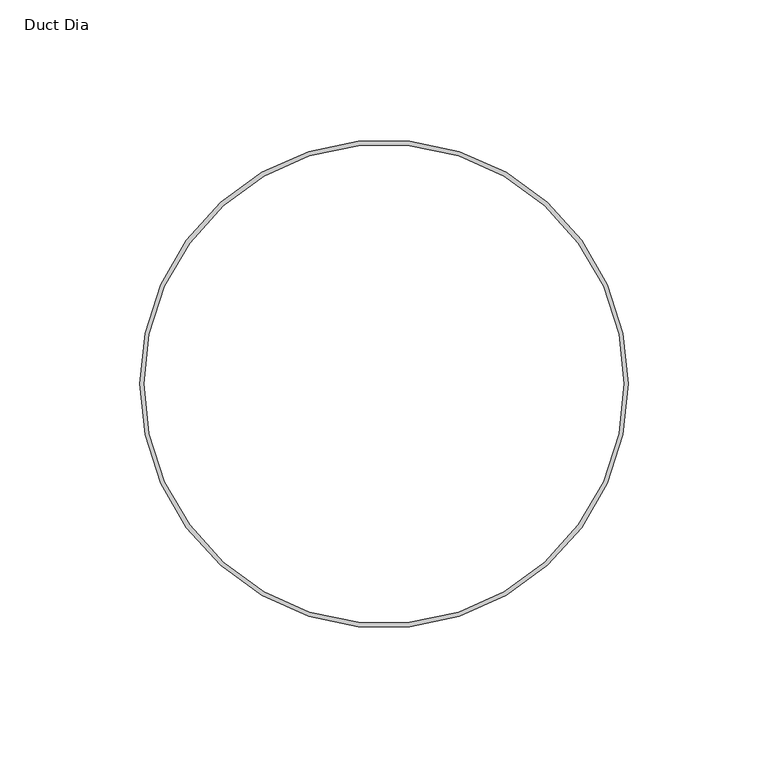
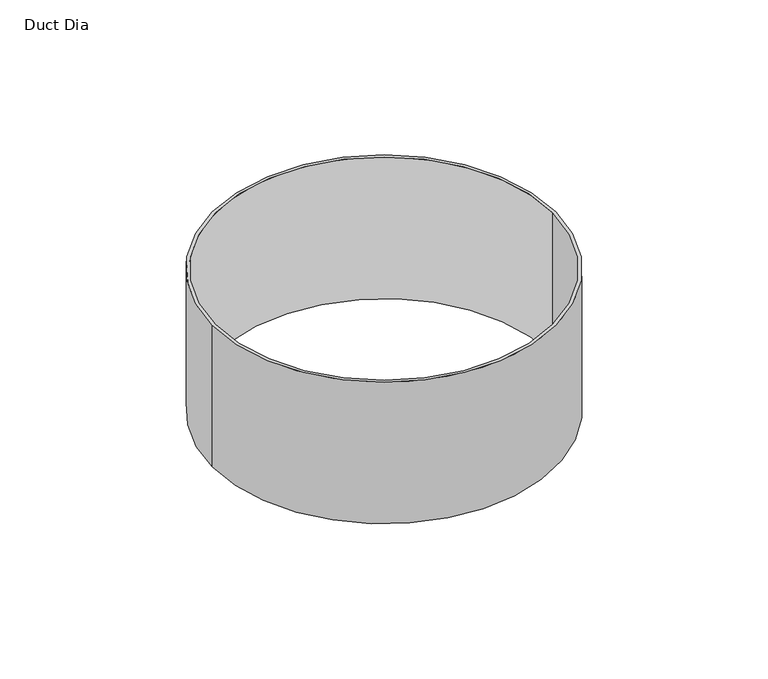
"""IFC4 building model written with IfcOpenShell, lengths in millimetres: proxy geometry, Duct Dia."""

from ifc_helpers import new_model, si_unit, point, origin, origin_with_axes, origin_2d, place, context, project, spatial, circle_curve, trimmed, segment, composite_curve, outline, extrude, source, transform, mapped, element, save


def duct_dia_a5afef36(model_context):
    return source(origin(), model_context, "Body", "SweptSolid", [
        extrude(outline(composite_curve([segment(trimmed(circle_curve(origin_2d(), 87.3621094), [point((-87.3621094, 0.0))], [point((87.3621094, 0.0))], False, "CARTESIAN"), True, "CONTINUOUS"), segment(trimmed(circle_curve(origin_2d(), 87.3621094), [point((87.3621094, 0.0))], [point((-87.3621094, 0.0))], False, "CARTESIAN"), True, "CONTINUOUS")], self_intersect=False), holes=[composite_curve([segment(trimmed(circle_curve(origin_2d(), 85.7746094), [point((-85.7746094, 0.0))], [point((85.7746094, 0.0))], True, "CARTESIAN"), True, "CONTINUOUS"), segment(trimmed(circle_curve(origin_2d(), 85.7746094), [point((85.7746094, 0.0))], [point((-85.7746094, 0.0))], True, "CARTESIAN"), True, "CONTINUOUS")], self_intersect=False)]), origin_with_axes(), (0.0, 0.0, 1.0), 76.2),
    ])


if __name__ == "__main__":
    model = new_model("IFC4")
    model_context = context("Model", 3, world=origin())
    ifc_project = project(units=[si_unit("LENGTHUNIT", "METRE", prefix="MILLI")], contexts=[model_context])
    site = spatial("IfcSite", under=ifc_project)
    building = spatial("IfcBuilding", under=site)
    placement = place(None, origin())
    duct_dia_shape = duct_dia_a5afef36(model_context)
    element("IfcBuildingElementProxy", 1, Name="Duct Dia", ObjectType="Duct Dia", at=placement, inside=building, context=model_context, shape_type="MappedRepresentation", body=[
        mapped(duct_dia_shape, transform((0.0, 0.0, 0.0), x_axis=(1.0, 0.0, 0.0), y_axis=(0.0, 1.0, 0.0), z_axis=(0.0, 0.0, 1.0))),
    ])
    save(model, "model.ifc")
